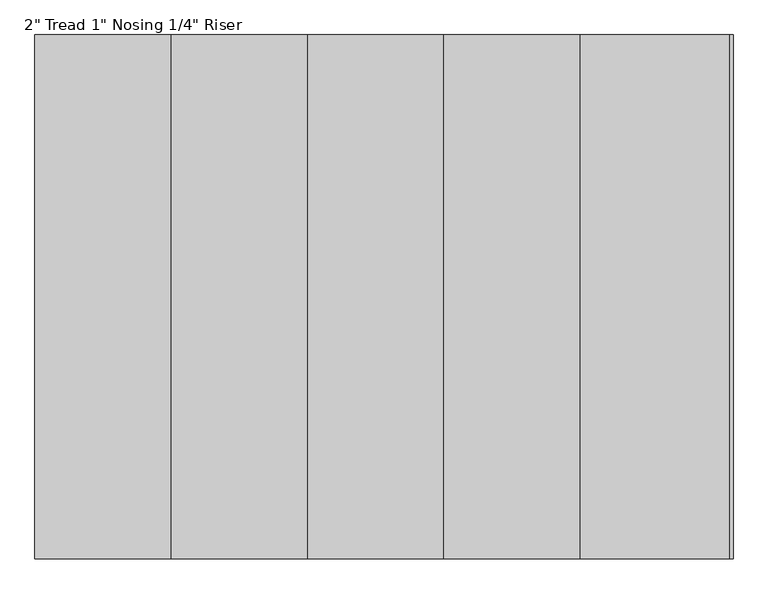
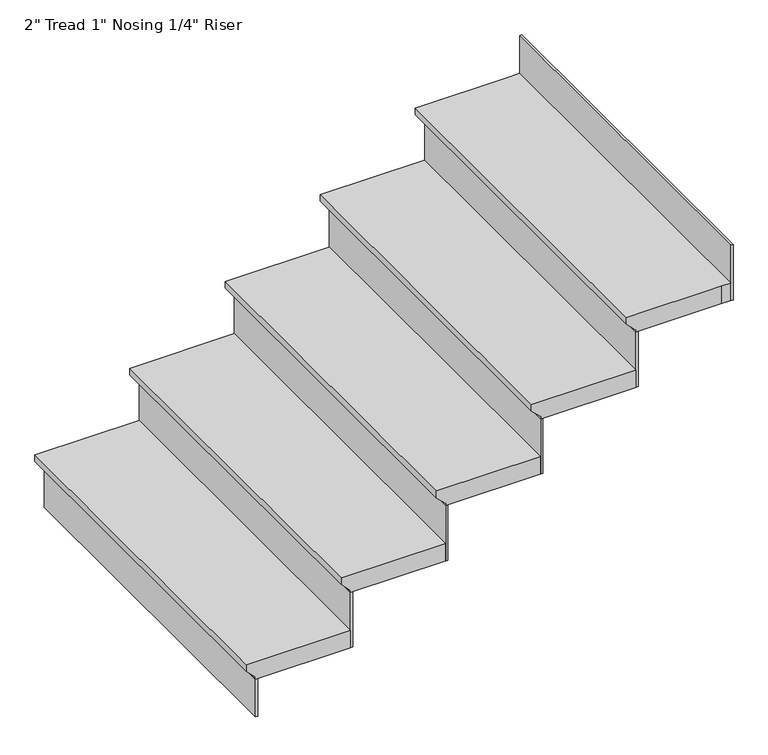
"""IFC4 building model written with IfcOpenShell, lengths in millimetres: stair flight geometry."""

from ifc_helpers import new_model, si_unit, origin, place, context, project, spatial, faceted_brep, source, transform, mapped, element, save


def stair_flight_7344ccbc(model_context):
    return source(origin(), model_context, "Body", "Brep", [
        faceted_brep([(1370.2555789, 658.1866334, 87160.0), (1370.2555789, -341.8133666, 87160.0), (1655.6555789, -341.8133666, 87160.0), (1655.6555789, 658.1866334, 87160.0), (1395.6555789, 658.1866334, 87109.2), (1655.6555789, 658.1866334, 87109.2), (1655.6555789, -341.8133666, 87109.2), (1395.6555789, -341.8133666, 87109.2), (1395.6555789, 658.1866334, 87115.55), (1370.2555789, 658.1866334, 87140.95), (1395.6555789, -341.8133666, 87115.55), (1370.2555789, -341.8133666, 87140.95)], [[[0, 1, 2, 3]], [[4, 5, 6, 7]], [[0, 3, 5, 4, 8, 9]], [[4, 7, 10, 8]], [[2, 1, 11, 10, 7, 6]], [[3, 2, 6, 5]], [[11, 1, 0, 9]], [[10, 11, 9, 8]]]),
        faceted_brep([(1395.6555789, -341.8133666, 87109.2), (1395.6555789, -341.8133666, 87000.0), (1402.0055789, -341.8133666, 87000.0), (1402.0055789, -341.8133666, 87109.2), (1395.6555789, 658.1866334, 87109.2), (1402.0055789, 658.1866334, 87109.2), (1402.0055789, 658.1866334, 87000.0), (1395.6555789, 658.1866334, 87000.0)], [[[0, 1, 2, 3]], [[4, 5, 6, 7]], [[1, 0, 4, 7]], [[2, 1, 7, 6]], [[3, 2, 6, 5]], [[0, 3, 5, 4]]]),
        faceted_brep([(1630.2555789, 658.1866334, 87320.0), (1630.2555789, -341.8133666, 87320.0), (1915.6555789, -341.8133666, 87320.0), (1915.6555789, 658.1866334, 87320.0), (1655.6555789, 658.1866334, 87269.2), (1915.6555789, 658.1866334, 87269.2), (1915.6555789, -341.8133666, 87269.2), (1655.6555789, -341.8133666, 87269.2), (1655.6555789, 658.1866334, 87275.55), (1630.2555789, 658.1866334, 87300.95), (1655.6555789, -341.8133666, 87275.55), (1630.2555789, -341.8133666, 87300.95)], [[[0, 1, 2, 3]], [[4, 5, 6, 7]], [[0, 3, 5, 4, 8, 9]], [[4, 7, 10, 8]], [[2, 1, 11, 10, 7, 6]], [[3, 2, 6, 5]], [[11, 1, 0, 9]], [[10, 11, 9, 8]]]),
        faceted_brep([(1655.6555789, -341.8133666, 87269.2), (1655.6555789, -341.8133666, 87109.2), (1662.0055789, -341.8133666, 87109.2), (1662.0055789, -341.8133666, 87269.2), (1655.6555789, 658.1866334, 87269.2), (1662.0055789, 658.1866334, 87269.2), (1662.0055789, 658.1866334, 87109.2), (1655.6555789, 658.1866334, 87109.2)], [[[0, 1, 2, 3]], [[4, 5, 6, 7]], [[1, 0, 4, 7]], [[2, 1, 7, 6]], [[3, 2, 6, 5]], [[0, 3, 5, 4]]]),
        faceted_brep([(1890.2555789, 658.1866334, 87480.0), (1890.2555789, -341.8133666, 87480.0), (2175.6555789, -341.8133666, 87480.0), (2175.6555789, 658.1866334, 87480.0), (1915.6555789, 658.1866334, 87429.2), (2175.6555789, 658.1866334, 87429.2), (2175.6555789, -341.8133666, 87429.2), (1915.6555789, -341.8133666, 87429.2), (1915.6555789, 658.1866334, 87435.55), (1890.2555789, 658.1866334, 87460.95), (1915.6555789, -341.8133666, 87435.55), (1890.2555789, -341.8133666, 87460.95)], [[[0, 1, 2, 3]], [[4, 5, 6, 7]], [[0, 3, 5, 4, 8, 9]], [[4, 7, 10, 8]], [[2, 1, 11, 10, 7, 6]], [[3, 2, 6, 5]], [[11, 1, 0, 9]], [[10, 11, 9, 8]]]),
        faceted_brep([(1915.6555789, -341.8133666, 87429.2), (1915.6555789, -341.8133666, 87269.2), (1922.0055789, -341.8133666, 87269.2), (1922.0055789, -341.8133666, 87429.2), (1915.6555789, 658.1866334, 87429.2), (1922.0055789, 658.1866334, 87429.2), (1922.0055789, 658.1866334, 87269.2), (1915.6555789, 658.1866334, 87269.2)], [[[0, 1, 2, 3]], [[4, 5, 6, 7]], [[1, 0, 4, 7]], [[2, 1, 7, 6]], [[3, 2, 6, 5]], [[0, 3, 5, 4]]]),
        faceted_brep([(2150.2555789, 658.1866334, 87640.0), (2150.2555789, -341.8133666, 87640.0), (2435.6555789, -341.8133666, 87640.0), (2435.6555789, 658.1866334, 87640.0), (2175.6555789, 658.1866334, 87589.2), (2435.6555789, 658.1866334, 87589.2), (2435.6555789, -341.8133666, 87589.2), (2175.6555789, -341.8133666, 87589.2), (2175.6555789, 658.1866334, 87595.55), (2150.2555789, 658.1866334, 87620.95), (2175.6555789, -341.8133666, 87595.55), (2150.2555789, -341.8133666, 87620.95)], [[[0, 1, 2, 3]], [[4, 5, 6, 7]], [[0, 3, 5, 4, 8, 9]], [[4, 7, 10, 8]], [[2, 1, 11, 10, 7, 6]], [[3, 2, 6, 5]], [[11, 1, 0, 9]], [[10, 11, 9, 8]]]),
        faceted_brep([(2175.6555789, -341.8133666, 87589.2), (2175.6555789, -341.8133666, 87429.2), (2182.0055789, -341.8133666, 87429.2), (2182.0055789, -341.8133666, 87589.2), (2175.6555789, 658.1866334, 87589.2), (2182.0055789, 658.1866334, 87589.2), (2182.0055789, 658.1866334, 87429.2), (2175.6555789, 658.1866334, 87429.2)], [[[0, 1, 2, 3]], [[4, 5, 6, 7]], [[1, 0, 4, 7]], [[2, 1, 7, 6]], [[3, 2, 6, 5]], [[0, 3, 5, 4]]]),
        faceted_brep([(2695.6555789, 658.1866334, 87800.0), (2670.2555789, 658.1866334, 87800.0), (2410.2555789, 658.1866334, 87800.0), (2410.2555789, -341.8133666, 87800.0), (2670.2555789, -341.8133666, 87800.0), (2695.6555789, -341.8133666, 87800.0), (2670.2555789, 658.1866334, 87749.2), (2695.6555789, 658.1866334, 87749.2), (2695.6555789, -341.8133666, 87749.2), (2670.2555789, -341.8133666, 87749.2), (2435.6555789, -341.8133666, 87749.2), (2435.6555789, 658.1866334, 87749.2), (2435.6555789, -341.8133666, 87755.55), (2435.6555789, 658.1866334, 87755.55), (2410.2555789, -341.8133666, 87780.95), (2410.2555789, 658.1866334, 87780.95)], [[[0, 1, 2, 3, 4, 5]], [[6, 7, 8, 9, 10, 11]], [[1, 0, 7, 6]], [[11, 10, 12, 13]], [[4, 3, 14, 12, 10, 9]], [[0, 5, 8, 7]], [[14, 3, 2, 15]], [[12, 14, 15, 13]], [[2, 1, 6, 11, 13, 15]], [[5, 4, 9, 8]]]),
        faceted_brep([(2435.6555789, -341.8133666, 87749.2), (2435.6555789, -341.8133666, 87589.2), (2442.0055789, -341.8133666, 87589.2), (2442.0055789, -341.8133666, 87749.2), (2435.6555789, 658.1866334, 87749.2), (2442.0055789, 658.1866334, 87749.2), (2442.0055789, 658.1866334, 87589.2), (2435.6555789, 658.1866334, 87589.2)], [[[0, 1, 2, 3]], [[4, 5, 6, 7]], [[1, 0, 4, 7]], [[2, 1, 7, 6]], [[3, 2, 6, 5]], [[0, 3, 5, 4]]]),
        faceted_brep([(2695.6555789, -341.8133666, 87909.2), (2695.6555789, -341.8133666, 87749.2), (2702.0055789, -341.8133666, 87749.2), (2702.0055789, -341.8133666, 87909.2), (2695.6555789, 658.1866334, 87909.2), (2702.0055789, 658.1866334, 87909.2), (2702.0055789, 658.1866334, 87749.2), (2695.6555789, 658.1866334, 87749.2)], [[[0, 1, 2, 3]], [[4, 5, 6, 7]], [[1, 0, 4, 7]], [[2, 1, 7, 6]], [[3, 2, 6, 5]], [[0, 3, 5, 4]]]),
    ])


if __name__ == "__main__":
    model = new_model("IFC4")
    model_context = context("Model", 3, world=origin())
    ifc_project = project(units=[si_unit("LENGTHUNIT", "METRE", prefix="MILLI")], contexts=[model_context])
    site = spatial("IfcSite", under=ifc_project)
    building = spatial("IfcBuilding", under=site)
    placement = place(None, origin())
    stair_flight_shape = stair_flight_7344ccbc(model_context)
    element("IfcStairFlight", 1, ObjectType="2\" Tread 1\" Nosing 1/4\" Riser", at=placement, inside=building, context=model_context, shape_type="MappedRepresentation", body=[
        mapped(stair_flight_shape, transform((0.0, 0.0, 0.0), x_axis=(1.0, 0.0, 0.0), y_axis=(0.0, 1.0, 0.0), z_axis=(0.0, 0.0, 1.0))),
    ])
    save(model, "model.ifc")
